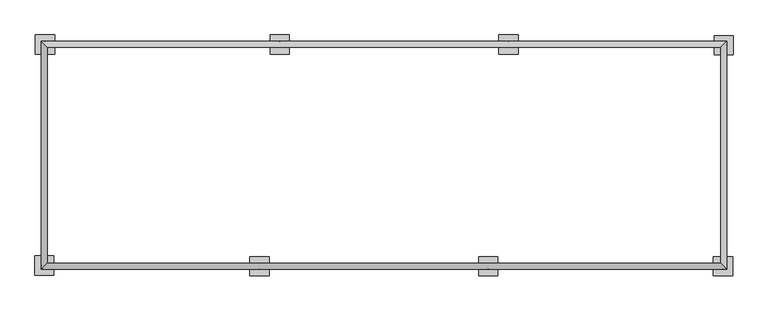
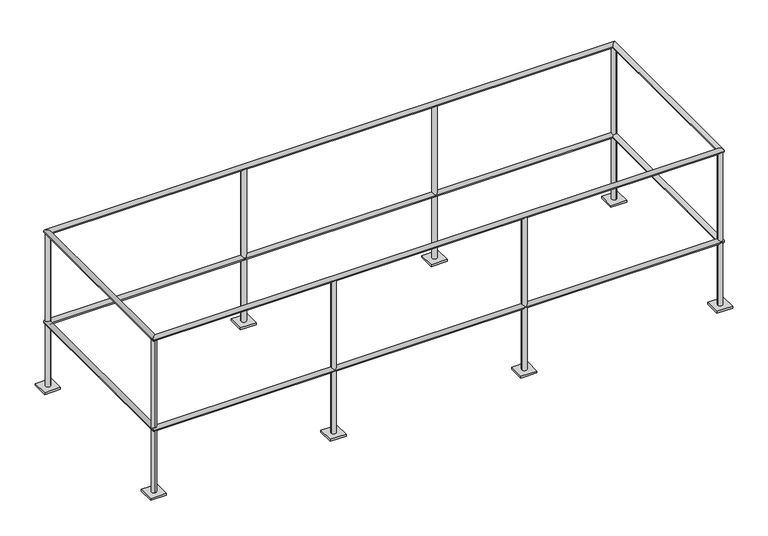
"""IFC4 building model written with IfcOpenShell, lengths in millimetres: railing geometry."""

from ifc_helpers import new_model, si_unit, point, frame, frame_2d, origin, origin_with_axes, place, context, project, spatial, polyline, circle_curve, ellipse_curve, trimmed, segment, composite_curve, outline, extrude, source, transform, mapped, element, save
from ifc_brep_helpers import cylinder_surface, advanced_brep


def railing_244ff6aa(model_context):
    return source(origin(), model_context, "Body", "SolidModel", [
        advanced_brep(
        [(-18819.5458618, -10591.2102856, 1050.925), (-18851.2958618, -10622.9602856, 1050.925), (-15200.0458618, -10622.9602856, 1050.925), (-15231.7958618, -10591.2102856, 1050.925), (-15200.0458618, -9410.1102856, 1050.925), (-15231.7958618, -9441.8602856, 1050.925), (-18851.2958618, -9410.1102856, 1050.925), (-18819.5458618, -9441.8602856, 1050.925)],
        [
            (0, 1, ellipse_curve(frame((-18835.4208618, -10607.0852856, 1050.925), z_axis=(0.7071067811865465, -0.7071067811865487, 0.0), x_axis=(-0.7071067811865485, -0.7071067811865466, 0.0)), 22.4506403, 15.875)),
            (1, 2),
            (2, 3, ellipse_curve(frame((-15215.9208618, -10607.0852856, 1050.925), z_axis=(-0.7071067811865486, -0.7071067811865464, 0.0), x_axis=(-0.7071067811865466, 0.7071067811865485, 0.0)), 22.4506403, 15.875)),
            (3, 0),
            (1, 0, ellipse_curve(frame((-18835.4208618, -10607.0852856, 1050.925), z_axis=(0.7071067811865465, -0.7071067811865487, 0.0), x_axis=(-0.7071067811865485, -0.7071067811865466, 0.0)), 22.4506403, 15.875)),
            (3, 2, ellipse_curve(frame((-15215.9208618, -10607.0852856, 1050.925), z_axis=(-0.7071067811865486, -0.7071067811865464, 0.0), x_axis=(-0.7071067811865466, 0.7071067811865485, 0.0)), 22.4506403, 15.875)),
            (2, 4),
            (4, 5, ellipse_curve(frame((-15215.9208618, -9425.9852856, 1050.925), z_axis=(0.7071067811865475, -0.7071067811865475, 0.0), x_axis=(-0.7071067811865474, -0.7071067811865476, 0.0)), 22.4506403, 15.875)),
            (5, 3),
            (5, 4, ellipse_curve(frame((-15215.9208618, -9425.9852856, 1050.925), z_axis=(0.7071067811865475, -0.7071067811865475, 0.0), x_axis=(-0.7071067811865474, -0.7071067811865476, 0.0)), 22.4506403, 15.875)),
            (4, 6),
            (6, 7, ellipse_curve(frame((-18835.4208618, -9425.9852856, 1050.925), z_axis=(0.7071067811865475, 0.7071067811865475, 0.0), x_axis=(0.7071067811865476, -0.7071067811865474, 0.0)), 22.4506403, 15.875)),
            (7, 5),
            (7, 6, ellipse_curve(frame((-18835.4208618, -9425.9852856, 1050.925), z_axis=(0.7071067811865475, 0.7071067811865475, 0.0), x_axis=(0.7071067811865476, -0.7071067811865474, 0.0)), 22.4506403, 15.875)),
            (6, 1),
            (0, 7),
        ],
        [
            cylinder_surface(frame((-18835.4208618, -10607.0852856, 1050.925), z_axis=(-1.0, 0.0, 0.0), x_axis=(0.0, 1.0, 0.0)), 15.875),
            cylinder_surface(frame((-15215.9208618, -10607.0852856, 1050.925), z_axis=(0.0, -1.0, 0.0), x_axis=(-1.0, 0.0, 0.0)), 15.875),
            cylinder_surface(frame((-15215.9208618, -9425.9852856, 1050.925), z_axis=(1.0, 0.0, 0.0), x_axis=(0.0, -1.0, 0.0)), 15.875),
            cylinder_surface(frame((-18835.4208618, -9425.9852856, 1050.925), z_axis=(0.0, 1.0, 0.0), x_axis=(1.0, 0.0, 0.0)), 15.875),
        ],
        [
            (0, [[1, 2, 3, 4]]),
            (0, [[5, -4, 6, -2]]),
            (1, [[-3, 7, 8, 9]]),
            (1, [[-6, -9, 10, -7]]),
            (2, [[-8, 11, 12, 13]]),
            (2, [[-10, -13, 14, -11]]),
            (3, [[-12, 15, -1, 16]]),
            (3, [[-14, -16, -5, -15]]),
        ],
    ),
        advanced_brep(
        [(-15231.7958618, -10591.2102856, 441.325), (-15200.0458618, -10622.9602856, 441.325), (-15200.0458618, -9410.1102856, 441.325), (-15231.7958618, -9441.8602856, 441.325), (-18851.2958618, -9410.1102856, 441.325), (-18819.5458618, -9441.8602856, 441.325), (-18851.2958618, -10622.9602856, 441.325), (-18819.5458618, -10591.2102856, 441.325)],
        [
            (0, 1, ellipse_curve(frame((-15215.9208618, -10607.0852856, 441.325), z_axis=(0.7071067811865486, 0.7071067811865464, 0.0), x_axis=(0.7071067811865464, -0.7071067811865488, 0.0)), 22.4506403, 15.875)),
            (1, 2),
            (2, 3, ellipse_curve(frame((-15215.9208618, -9425.9852856, 441.325), z_axis=(0.7071067811865475, -0.7071067811865475, 0.0), x_axis=(-0.7071067811865474, -0.7071067811865476, 0.0)), 22.4506403, 15.875)),
            (3, 0),
            (1, 0, ellipse_curve(frame((-15215.9208618, -10607.0852856, 441.325), z_axis=(0.7071067811865486, 0.7071067811865464, 0.0), x_axis=(0.7071067811865464, -0.7071067811865488, 0.0)), 22.4506403, 15.875)),
            (3, 2, ellipse_curve(frame((-15215.9208618, -9425.9852856, 441.325), z_axis=(0.7071067811865475, -0.7071067811865475, 0.0), x_axis=(-0.7071067811865474, -0.7071067811865476, 0.0)), 22.4506403, 15.875)),
            (2, 4),
            (4, 5, ellipse_curve(frame((-18835.4208618, -9425.9852856, 441.325), z_axis=(0.7071067811865475, 0.7071067811865475, 0.0), x_axis=(0.7071067811865476, -0.7071067811865474, 0.0)), 22.4506403, 15.875)),
            (5, 3),
            (5, 4, ellipse_curve(frame((-18835.4208618, -9425.9852856, 441.325), z_axis=(0.7071067811865475, 0.7071067811865475, 0.0), x_axis=(0.7071067811865476, -0.7071067811865474, 0.0)), 22.4506403, 15.875)),
            (4, 6),
            (6, 7, ellipse_curve(frame((-18835.4208618, -10607.0852856, 441.325), z_axis=(-0.7071067811865465, 0.7071067811865487, 0.0), x_axis=(0.7071067811865487, 0.7071067811865462, 0.0)), 22.4506403, 15.875)),
            (7, 5),
            (7, 6, ellipse_curve(frame((-18835.4208618, -10607.0852856, 441.325), z_axis=(-0.7071067811865465, 0.7071067811865487, 0.0), x_axis=(0.7071067811865487, 0.7071067811865462, 0.0)), 22.4506403, 15.875)),
            (6, 1),
            (0, 7),
        ],
        [
            cylinder_surface(frame((-15215.9208618, -10607.0852856, 441.325), z_axis=(0.0, -1.0, 0.0), x_axis=(-1.0, 0.0, 0.0)), 15.875),
            cylinder_surface(frame((-15215.9208618, -9425.9852856, 441.325), z_axis=(1.0, 0.0, 0.0), x_axis=(0.0, -1.0, 0.0)), 15.875),
            cylinder_surface(frame((-18835.4208618, -9425.9852856, 441.325), z_axis=(0.0, 1.0, 0.0), x_axis=(1.0, 0.0, 0.0)), 15.875),
            cylinder_surface(frame((-18835.4208618, -10607.0852856, 441.325), z_axis=(-1.0, 0.0, 0.0), x_axis=(0.0, 1.0, 0.0)), 15.875),
        ],
        [
            (0, [[1, 2, 3, 4]]),
            (0, [[5, -4, 6, -2]]),
            (1, [[-3, 7, 8, 9]]),
            (1, [[-6, -9, 10, -7]]),
            (2, [[-8, 11, 12, 13]]),
            (2, [[-10, -13, 14, -11]]),
            (3, [[-12, 15, -1, 16]]),
            (3, [[-14, -16, -5, -15]]),
        ],
    ),
        extrude(outline(composite_curve([segment(trimmed(circle_curve(frame_2d((-16470.0105971, -10607.0852856)), 15.875), [point((-16485.8855971, -10607.0852856))], [point((-16454.1355971, -10607.0852856))], False, "CARTESIAN"), True, "CONTINUOUS"), segment(trimmed(circle_curve(frame_2d((-16470.0105971, -10607.0852856)), 15.875), [point((-16454.1355971, -10607.0852856))], [point((-16485.8855971, -10607.0852856))], False, "CARTESIAN"), True, "CONTINUOUS")], self_intersect=False), holes=[composite_curve([segment(trimmed(circle_curve(frame_2d((-16470.0105971, -10607.0852856)), 14.2875), [point((-16484.2980971, -10607.0852856))], [point((-16455.7230971, -10607.0852856))], True, "CARTESIAN"), True, "CONTINUOUS"), segment(trimmed(circle_curve(frame_2d((-16470.0105971, -10607.0852856)), 14.2875), [point((-16455.7230971, -10607.0852856))], [point((-16484.2980971, -10607.0852856))], True, "CARTESIAN"), True, "CONTINUOUS")], self_intersect=False)]), frame((0.0, 0.0, 12.7), z_axis=(0.0, 0.0, 1.0), x_axis=(1.0, 0.0, 0.0)), (0.0, 0.0, 1.0), 1035.05),
        extrude(outline(polyline([(-16419.2105971, -10556.2852856), (-16419.2105971, -10657.8852856), (-16520.8105971, -10657.8852856), (-16520.8105971, -10556.2852856), (-16419.2105971, -10556.2852856)])), origin_with_axes(), (0.0, 0.0, 1.0), 12.7),
        extrude(outline(composite_curve([segment(trimmed(circle_curve(frame_2d((-17689.2105971, -10607.0852856)), 15.875), [point((-17705.0855971, -10607.0852856))], [point((-17673.3355971, -10607.0852856))], False, "CARTESIAN"), True, "CONTINUOUS"), segment(trimmed(circle_curve(frame_2d((-17689.2105971, -10607.0852856)), 15.875), [point((-17673.3355971, -10607.0852856))], [point((-17705.0855971, -10607.0852856))], False, "CARTESIAN"), True, "CONTINUOUS")], self_intersect=False), holes=[composite_curve([segment(trimmed(circle_curve(frame_2d((-17689.2105971, -10607.0852856)), 14.2875), [point((-17703.4980971, -10607.0852856))], [point((-17674.9230971, -10607.0852856))], True, "CARTESIAN"), True, "CONTINUOUS"), segment(trimmed(circle_curve(frame_2d((-17689.2105971, -10607.0852856)), 14.2875), [point((-17674.9230971, -10607.0852856))], [point((-17703.4980971, -10607.0852856))], True, "CARTESIAN"), True, "CONTINUOUS")], self_intersect=False)]), frame((0.0, 0.0, 12.7), z_axis=(0.0, 0.0, 1.0), x_axis=(1.0, 0.0, 0.0)), (0.0, 0.0, 1.0), 1035.05),
        extrude(outline(polyline([(-17638.4105971, -10556.2852856), (-17638.4105971, -10657.8852856), (-17740.0105971, -10657.8852856), (-17740.0105971, -10556.2852856), (-17638.4105971, -10556.2852856)])), origin_with_axes(), (0.0, 0.0, 1.0), 12.7),
        extrude(outline(composite_curve([segment(trimmed(circle_curve(frame_2d((-17581.3311266, -9425.9852856)), 15.875), [point((-17565.4561266, -9425.9852856))], [point((-17597.2061266, -9425.9852856))], False, "CARTESIAN"), True, "CONTINUOUS"), segment(trimmed(circle_curve(frame_2d((-17581.3311266, -9425.9852856)), 15.875), [point((-17597.2061266, -9425.9852856))], [point((-17565.4561266, -9425.9852856))], False, "CARTESIAN"), True, "CONTINUOUS")], self_intersect=False), holes=[composite_curve([segment(trimmed(circle_curve(frame_2d((-17581.3311266, -9425.9852856)), 14.2875), [point((-17567.0436266, -9425.9852856))], [point((-17595.6186266, -9425.9852856))], True, "CARTESIAN"), True, "CONTINUOUS"), segment(trimmed(circle_curve(frame_2d((-17581.3311266, -9425.9852856)), 14.2875), [point((-17595.6186266, -9425.9852856))], [point((-17567.0436266, -9425.9852856))], True, "CARTESIAN"), True, "CONTINUOUS")], self_intersect=False)]), frame((0.0, 0.0, 12.7), z_axis=(0.0, 0.0, 1.0), x_axis=(1.0, 0.0, 0.0)), (0.0, 0.0, 1.0), 1035.05),
        extrude(outline(polyline([(-17632.1311266, -9476.7852856), (-17632.1311266, -9375.1852856), (-17530.5311266, -9375.1852856), (-17530.5311266, -9476.7852856), (-17632.1311266, -9476.7852856)])), origin_with_axes(), (0.0, 0.0, 1.0), 12.7),
        extrude(outline(composite_curve([segment(trimmed(circle_curve(frame_2d((-16362.1311266, -9425.9852856)), 15.875), [point((-16346.2561266, -9425.9852856))], [point((-16378.0061266, -9425.9852856))], False, "CARTESIAN"), True, "CONTINUOUS"), segment(trimmed(circle_curve(frame_2d((-16362.1311266, -9425.9852856)), 15.875), [point((-16378.0061266, -9425.9852856))], [point((-16346.2561266, -9425.9852856))], False, "CARTESIAN"), True, "CONTINUOUS")], self_intersect=False), holes=[composite_curve([segment(trimmed(circle_curve(frame_2d((-16362.1311266, -9425.9852856)), 14.2875), [point((-16347.8436266, -9425.9852856))], [point((-16376.4186266, -9425.9852856))], True, "CARTESIAN"), True, "CONTINUOUS"), segment(trimmed(circle_curve(frame_2d((-16362.1311266, -9425.9852856)), 14.2875), [point((-16376.4186266, -9425.9852856))], [point((-16347.8436266, -9425.9852856))], True, "CARTESIAN"), True, "CONTINUOUS")], self_intersect=False)]), frame((0.0, 0.0, 12.7), z_axis=(0.0, 0.0, 1.0), x_axis=(1.0, 0.0, 0.0)), (0.0, 0.0, 1.0), 1035.05),
        extrude(outline(polyline([(-16412.9311266, -9476.7852856), (-16412.9311266, -9375.1852856), (-16311.3311266, -9375.1852856), (-16311.3311266, -9476.7852856), (-16412.9311266, -9476.7852856)])), origin_with_axes(), (0.0, 0.0, 1.0), 12.7),
        extrude(outline(composite_curve([segment(trimmed(circle_curve(frame_2d((-15219.0605971, -10607.0852856)), 15.875), [point((-15234.9355971, -10607.0852856))], [point((-15203.1855971, -10607.0852856))], False, "CARTESIAN"), True, "CONTINUOUS"), segment(trimmed(circle_curve(frame_2d((-15219.0605971, -10607.0852856)), 15.875), [point((-15203.1855971, -10607.0852856))], [point((-15234.9355971, -10607.0852856))], False, "CARTESIAN"), True, "CONTINUOUS")], self_intersect=False), holes=[composite_curve([segment(trimmed(circle_curve(frame_2d((-15219.0605971, -10607.0852856)), 14.2875), [point((-15233.3480971, -10607.0852856))], [point((-15204.7730971, -10607.0852856))], True, "CARTESIAN"), True, "CONTINUOUS"), segment(trimmed(circle_curve(frame_2d((-15219.0605971, -10607.0852856)), 14.2875), [point((-15204.7730971, -10607.0852856))], [point((-15233.3480971, -10607.0852856))], True, "CARTESIAN"), True, "CONTINUOUS")], self_intersect=False)]), frame((0.0, 0.0, 12.7), z_axis=(0.0, 0.0, 1.0), x_axis=(1.0, 0.0, 0.0)), (0.0, 0.0, 1.0), 1035.05),
        extrude(outline(polyline([(-15168.2605971, -10556.2852856), (-15168.2605971, -10657.8852856), (-15269.8605971, -10657.8852856), (-15269.8605971, -10556.2852856), (-15168.2605971, -10556.2852856)])), origin_with_axes(), (0.0, 0.0, 1.0), 12.7),
        extrude(outline(composite_curve([segment(trimmed(circle_curve(frame_2d((-18835.4208618, -10603.9455503)), 15.875), [point((-18835.4208618, -10588.0705503))], [point((-18835.4208618, -10619.8205503))], False, "CARTESIAN"), True, "CONTINUOUS"), segment(trimmed(circle_curve(frame_2d((-18835.4208618, -10603.9455503)), 15.875), [point((-18835.4208618, -10619.8205503))], [point((-18835.4208618, -10588.0705503))], False, "CARTESIAN"), True, "CONTINUOUS")], self_intersect=False), holes=[composite_curve([segment(trimmed(circle_curve(frame_2d((-18835.4208618, -10603.9455503)), 14.2875), [point((-18835.4208618, -10589.6580503))], [point((-18835.4208618, -10618.2330503))], True, "CARTESIAN"), True, "CONTINUOUS"), segment(trimmed(circle_curve(frame_2d((-18835.4208618, -10603.9455503)), 14.2875), [point((-18835.4208618, -10618.2330503))], [point((-18835.4208618, -10589.6580503))], True, "CARTESIAN"), True, "CONTINUOUS")], self_intersect=False)]), frame((0.0, 0.0, 12.7), z_axis=(0.0, 0.0, 1.0), x_axis=(1.0, 0.0, 0.0)), (0.0, 0.0, 1.0), 1035.05),
        extrude(outline(polyline([(-18784.6208618, -10654.7455503), (-18886.2208618, -10654.7455503), (-18886.2208618, -10553.1455503), (-18784.6208618, -10553.1455503), (-18784.6208618, -10654.7455503)])), origin_with_axes(), (0.0, 0.0, 1.0), 12.7),
        extrude(outline(composite_curve([segment(trimmed(circle_curve(frame_2d((-18832.2811266, -9425.9852856)), 15.875), [point((-18816.4061266, -9425.9852856))], [point((-18848.1561266, -9425.9852856))], False, "CARTESIAN"), True, "CONTINUOUS"), segment(trimmed(circle_curve(frame_2d((-18832.2811266, -9425.9852856)), 15.875), [point((-18848.1561266, -9425.9852856))], [point((-18816.4061266, -9425.9852856))], False, "CARTESIAN"), True, "CONTINUOUS")], self_intersect=False), holes=[composite_curve([segment(trimmed(circle_curve(frame_2d((-18832.2811266, -9425.9852856)), 14.2875), [point((-18817.9936266, -9425.9852856))], [point((-18846.5686266, -9425.9852856))], True, "CARTESIAN"), True, "CONTINUOUS"), segment(trimmed(circle_curve(frame_2d((-18832.2811266, -9425.9852856)), 14.2875), [point((-18846.5686266, -9425.9852856))], [point((-18817.9936266, -9425.9852856))], True, "CARTESIAN"), True, "CONTINUOUS")], self_intersect=False)]), frame((0.0, 0.0, 12.7), z_axis=(0.0, 0.0, 1.0), x_axis=(1.0, 0.0, 0.0)), (0.0, 0.0, 1.0), 1035.05),
        extrude(outline(polyline([(-18883.0811266, -9476.7852856), (-18883.0811266, -9375.1852856), (-18781.4811266, -9375.1852856), (-18781.4811266, -9476.7852856), (-18883.0811266, -9476.7852856)])), origin_with_axes(), (0.0, 0.0, 1.0), 12.7),
        extrude(outline(composite_curve([segment(trimmed(circle_curve(frame_2d((-15215.9208618, -9429.1250209)), 15.875), [point((-15215.9208618, -9445.0000209))], [point((-15215.9208618, -9413.2500209))], False, "CARTESIAN"), True, "CONTINUOUS"), segment(trimmed(circle_curve(frame_2d((-15215.9208618, -9429.1250209)), 15.875), [point((-15215.9208618, -9413.2500209))], [point((-15215.9208618, -9445.0000209))], False, "CARTESIAN"), True, "CONTINUOUS")], self_intersect=False), holes=[composite_curve([segment(trimmed(circle_curve(frame_2d((-15215.9208618, -9429.1250209)), 14.2875), [point((-15215.9208618, -9443.4125209))], [point((-15215.9208618, -9414.8375209))], True, "CARTESIAN"), True, "CONTINUOUS"), segment(trimmed(circle_curve(frame_2d((-15215.9208618, -9429.1250209)), 14.2875), [point((-15215.9208618, -9414.8375209))], [point((-15215.9208618, -9443.4125209))], True, "CARTESIAN"), True, "CONTINUOUS")], self_intersect=False)]), frame((0.0, 0.0, 12.7), z_axis=(0.0, 0.0, 1.0), x_axis=(1.0, 0.0, 0.0)), (0.0, 0.0, 1.0), 1035.05),
        extrude(outline(polyline([(-15266.7208618, -9378.3250209), (-15165.1208618, -9378.3250209), (-15165.1208618, -9479.9250209), (-15266.7208618, -9479.9250209), (-15266.7208618, -9378.3250209)])), origin_with_axes(), (0.0, 0.0, 1.0), 12.7),
    ])


if __name__ == "__main__":
    model = new_model("IFC4")
    model_context = context("Model", 3, world=origin())
    ifc_project = project(units=[si_unit("LENGTHUNIT", "METRE", prefix="MILLI")], contexts=[model_context])
    site = spatial("IfcSite", under=ifc_project)
    building = spatial("IfcBuilding", under=site)
    placement = place(None, origin())
    railing_shape = railing_244ff6aa(model_context)
    element("IfcRailing", 1, at=placement, inside=building, context=model_context, shape_type="MappedRepresentation", body=[
        mapped(railing_shape, transform((0.0, 0.0, 0.0), x_axis=(1.0, 0.0, 0.0), y_axis=(0.0, 1.0, 0.0), z_axis=(0.0, 0.0, 1.0))),
    ])
    save(model, "model.ifc")
